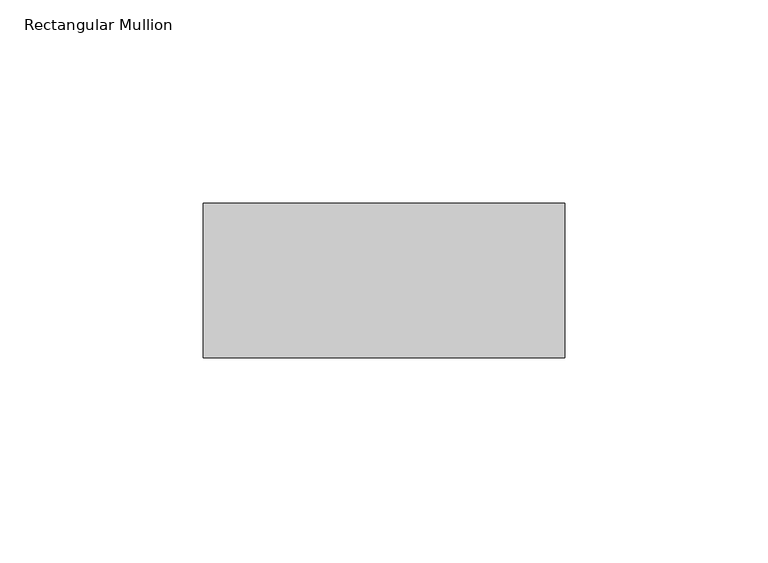
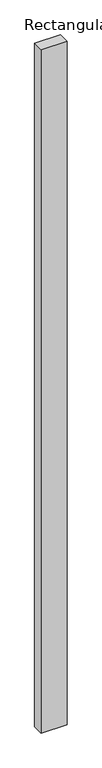
"""IFC4 building model written with IfcOpenShell, lengths in millimetres: member geometry, Rectangular Mullion."""

from ifc_helpers import new_model, si_unit, frame, origin, place, context, project, spatial, polyline, outline, extrude, source, transform, mapped, element, save


def rectangular_mullion_cda1419c(model_context):
    return source(origin(), model_context, "Body", "SweptSolid", [
        extrude(outline(polyline([(44.5, 58.0), (44.5, 20.0), (-44.5, 20.0), (-44.5, 58.0), (44.5, 58.0)])), frame((0.0, 0.0, -2490.0), z_axis=(0.0, 0.0, 1.0), x_axis=(1.0, 0.0, 0.0)), (0.0, 0.0, 1.0), 2490.0),
    ])


if __name__ == "__main__":
    model = new_model("IFC4")
    model_context = context("Model", 3, world=origin())
    ifc_project = project(units=[si_unit("LENGTHUNIT", "METRE", prefix="MILLI")], contexts=[model_context])
    site = spatial("IfcSite", under=ifc_project)
    building = spatial("IfcBuilding", under=site)
    placement = place(None, origin())
    rectangular_mullion_shape = rectangular_mullion_cda1419c(model_context)
    element("IfcMember", 1, ObjectType="Rectangular Mullion", at=placement, inside=building, context=model_context, shape_type="MappedRepresentation", body=[
        mapped(rectangular_mullion_shape, transform((0.0, 0.0, 0.0), x_axis=(1.0, 0.0, 0.0), y_axis=(0.0, 1.0, 0.0), z_axis=(0.0, 0.0, 1.0))),
    ])
    save(model, "model.ifc")
